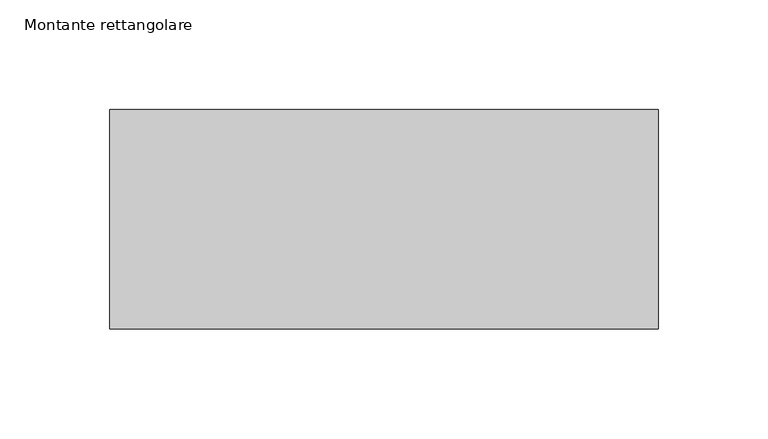
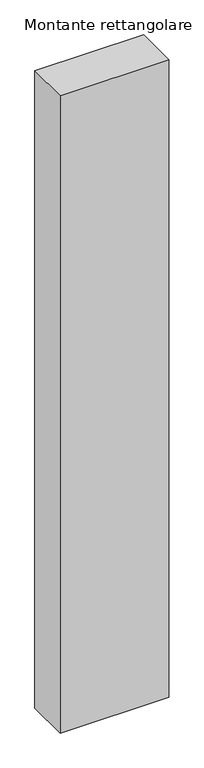
"""IFC4 building model written with IfcOpenShell, lengths in millimetres: member geometry, Montante rettangolare."""

from ifc_helpers import new_model, si_unit, frame, origin, place, context, project, spatial, polyline, outline, extrude, source, transform, mapped, element, save


def montante_rettangolare_0a2161bc(model_context):
    return source(origin(), model_context, "Body", "SweptSolid", [
        extrude(outline(polyline([(0.0, 50.0), (0.0, -50.0), (-250.0, -50.0), (-250.0, 50.0), (0.0, 50.0)])), frame((0.0, 0.0, -1549.5764037), z_axis=(0.0, 0.0, 1.0), x_axis=(1.0, 0.0, 0.0)), (0.0, 0.0, 1.0), 1549.5764037),
    ])


if __name__ == "__main__":
    model = new_model("IFC4")
    model_context = context("Model", 3, world=origin())
    ifc_project = project(units=[si_unit("LENGTHUNIT", "METRE", prefix="MILLI")], contexts=[model_context])
    site = spatial("IfcSite", under=ifc_project)
    building = spatial("IfcBuilding", under=site)
    placement = place(None, origin())
    montante_rettangolare_shape = montante_rettangolare_0a2161bc(model_context)
    element("IfcMember", 1, ObjectType="Montante rettangolare", at=placement, inside=building, context=model_context, shape_type="MappedRepresentation", body=[
        mapped(montante_rettangolare_shape, transform((0.0, 0.0, 0.0), x_axis=(1.0, 0.0, 0.0), y_axis=(0.0, 1.0, 0.0), z_axis=(0.0, 0.0, 1.0))),
    ])
    save(model, "model.ifc")
